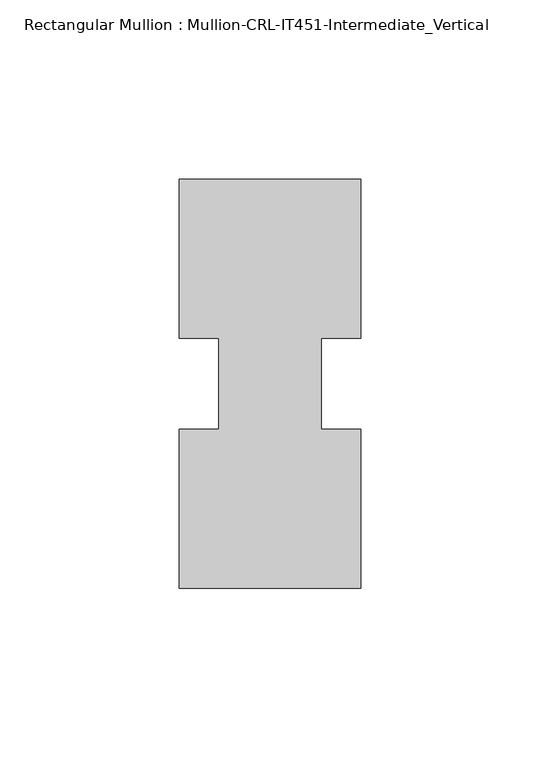
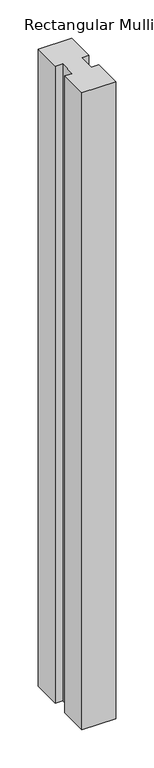
"""IFC4 building model written with IfcOpenShell, lengths in millimetres: member geometry, Rectangular Mullion : Mullion-CRL-IT451-Intermediate_Vertical."""

from ifc_helpers import new_model, si_unit, frame, origin, place, context, project, spatial, polyline, outline, extrude, source, transform, mapped, element, save


def rectangular_mullion_mullion_crl_it451_intermediate_vertical_70886c22(model_context):
    return source(origin(), model_context, "Body", "SweptSolid", [
        extrude(outline(polyline([(-25.4, -57.1500171), (-25.4, -12.7000171), (-14.2875, -12.7000171), (-14.2875, 12.7000171), (-25.4, 12.7000171), (-25.4, 57.1499829), (25.4, 57.1499829), (25.4, 12.7000171), (14.2875, 12.7000171), (14.2875, -12.7000171), (25.4, -12.7000171), (25.4, -57.1500171), (-25.4, -57.1500171)])), frame((0.0, 0.0, -1016.0), z_axis=(0.0, 0.0, 1.0), x_axis=(1.0, 0.0, 0.0)), (0.0, 0.0, 1.0), 1016.0),
    ])


if __name__ == "__main__":
    model = new_model("IFC4")
    model_context = context("Model", 3, world=origin())
    ifc_project = project(units=[si_unit("LENGTHUNIT", "METRE", prefix="MILLI")], contexts=[model_context])
    site = spatial("IfcSite", under=ifc_project)
    building = spatial("IfcBuilding", under=site)
    placement = place(None, origin())
    rectangular_mullion_mullion_crl_it451_intermediate_vertical_shape = rectangular_mullion_mullion_crl_it451_intermediate_vertical_70886c22(model_context)
    element("IfcMember", 1, ObjectType="Rectangular Mullion : Mullion-CRL-IT451-Intermediate_Vertical", at=placement, inside=building, context=model_context, shape_type="MappedRepresentation", body=[
        mapped(rectangular_mullion_mullion_crl_it451_intermediate_vertical_shape, transform((0.0, 0.0, 0.0), x_axis=(1.0, 0.0, 0.0), y_axis=(0.0, 1.0, 0.0), z_axis=(0.0, 0.0, 1.0))),
    ])
    save(model, "model.ifc")
